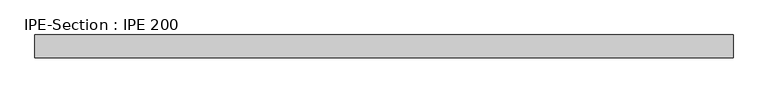
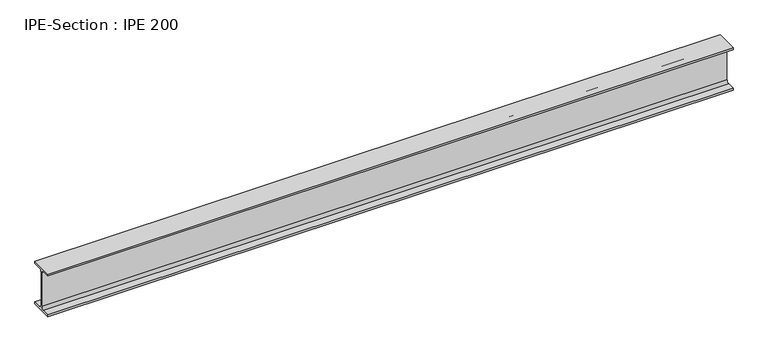
"""IFC4 building model written with IfcOpenShell, lengths in millimetres: beam geometry, IPE-Section : IPE 200."""

from ifc_helpers import new_model, si_unit, point, frame, frame_2d, origin, place, context, project, spatial, polyline, circle_curve, trimmed, segment, composite_curve, outline, extrude, source, transform, mapped, element, save


def ipe_section_ipe_200_a18ccc4a(model_context):
    return source(origin(), model_context, "Body", "SweptSolid", [
        extrude(outline(composite_curve([segment(polyline([(50.0, -91.5), (50.0, -100.0), (-50.0, -100.0), (-50.0, -91.5), (-14.8, -91.5)]), True, "CONTINUOUS"), segment(trimmed(circle_curve(frame_2d((-14.8, -79.5)), 12.0), [point((-14.8, -91.5))], [point((-2.8, -79.5))], True, "CARTESIAN"), True, "CONTINUOUS"), segment(polyline([(-2.8, -79.5), (-2.8, 79.5)]), True, "CONTINUOUS"), segment(trimmed(circle_curve(frame_2d((-14.8, 79.5)), 12.0), [point((-2.8, 79.5))], [point((-14.8, 91.5))], True, "CARTESIAN"), True, "CONTINUOUS"), segment(polyline([(-14.8, 91.5), (-50.0, 91.5), (-50.0, 100.0), (50.0, 100.0), (50.0, 91.5), (14.8, 91.5)]), True, "CONTINUOUS"), segment(trimmed(circle_curve(frame_2d((14.8, 79.5)), 12.0), [point((14.8, 91.5))], [point((2.8, 79.5))], True, "CARTESIAN"), True, "CONTINUOUS"), segment(polyline([(2.8, 79.5), (2.8, -79.5)]), True, "CONTINUOUS"), segment(trimmed(circle_curve(frame_2d((14.8, -79.5)), 12.0), [point((2.8, -79.5))], [point((14.8, -91.5))], True, "CARTESIAN"), True, "CONTINUOUS"), segment(polyline([(14.8, -91.5), (50.0, -91.5)]), True, "CONTINUOUS")], self_intersect=False)), frame((-1476.05, 0.0, 0.0), z_axis=(1.0, 0.0, 0.0), x_axis=(0.0, 1.0, 0.0)), (0.0, 0.0, 1.0), 3054.8),
    ])


if __name__ == "__main__":
    model = new_model("IFC4")
    model_context = context("Model", 3, world=origin())
    ifc_project = project(units=[si_unit("LENGTHUNIT", "METRE", prefix="MILLI")], contexts=[model_context])
    site = spatial("IfcSite", under=ifc_project)
    building = spatial("IfcBuilding", under=site)
    placement = place(None, origin())
    ipe_section_ipe_200_shape = ipe_section_ipe_200_a18ccc4a(model_context)
    element("IfcBeam", 1, ObjectType="IPE-Section : IPE 200", at=placement, inside=building, context=model_context, shape_type="MappedRepresentation", body=[
        mapped(ipe_section_ipe_200_shape, transform((0.0, 0.0, 0.0), x_axis=(1.0, 0.0, 0.0), y_axis=(0.0, 1.0, 0.0), z_axis=(0.0, 0.0, 1.0))),
    ])
    save(model, "model.ifc")
